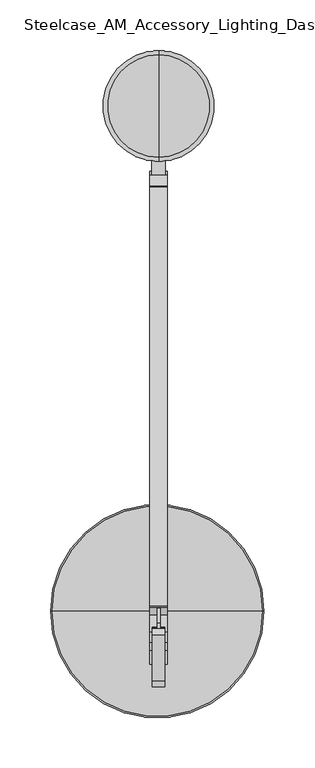
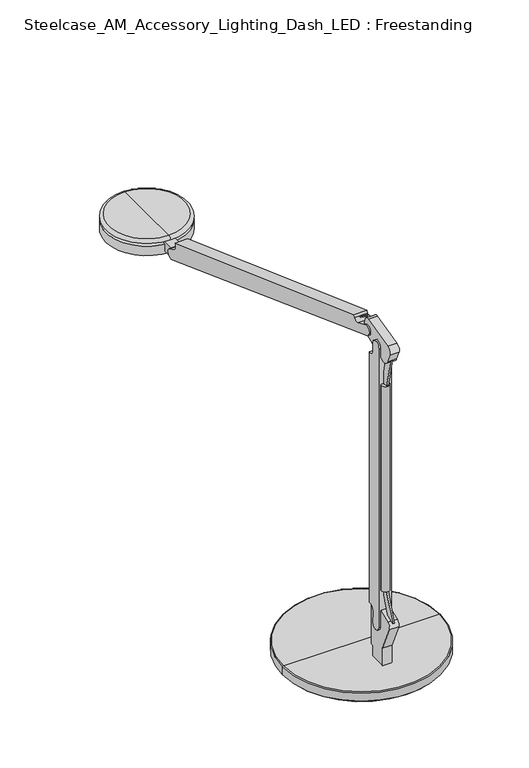
"""IFC4 building model written with IfcOpenShell, lengths in millimetres: furniture geometry, Steelcase_AM_Accessory_Lighting_Dash_LED : Freestanding."""

from ifc_helpers import new_model, si_unit, point, frame, frame_2d, origin, place, context, project, spatial, polyline, circle_curve, ellipse_curve, trimmed, segment, composite_curve, outline, extrude, source, transform, mapped, element, save
from ifc_brep_helpers import plane_surface, cylinder_surface, revolved_surface, advanced_brep


def steelcase_am_accessory_lighting_dash_led_freestanding_0d7cb5ad(model_context):
    return source(origin(), model_context, "Body", "SolidModel", [
        advanced_brep(
        [(-1.3138173, 113.7487958, 886.9665244), (-105.1617173, 113.7487958, 886.9665244), (102.5340827, 113.7487958, 886.9665244), (-94.3930875, 113.7487958, 868.0005821), (-1.3138173, 113.7487958, 868.0005821), (91.7654529, 113.7487958, 868.0005821), (-94.3930875, 113.7487958, 868.9041479), (91.7654529, 113.7487958, 868.9041479), (-97.207805, 113.7487958, 868.9041479), (94.5801703, 113.7487958, 868.9041479), (-103.7438291, 113.7487958, 871.8141733), (101.1161944, 113.7487958, 871.8141733), (-103.7438291, 113.7487958, 874.6475244), (101.1161944, 113.7487958, 874.6475244), (-106.6446817, 113.7487958, 874.6475244), (104.017047, 113.7487958, 874.6475244), (-106.6446817, 113.7487958, 885.4835601), (104.017047, 113.7487958, 885.4835601)],
        [
            (0, 1),
            (1, 2, circle_curve(frame((-1.3138173, 113.7487958, 886.9665244), z_axis=(0.0, 0.0, 1.0), x_axis=(1.0, 0.0, 0.0)), 103.8479)),
            (2, 0),
            (2, 1, circle_curve(frame((-1.3138173, 113.7487958, 886.9665244), z_axis=(0.0, 0.0, 1.0), x_axis=(1.0, 0.0, 0.0)), 103.8479)),
            (3, 4),
            (4, 5),
            (5, 3, circle_curve(frame((-1.3138173, 113.7487958, 868.0005821), z_axis=(0.0, 0.0, -1.0), x_axis=(1.0, 0.0, 0.0)), 93.0792702)),
            (3, 5, circle_curve(frame((-1.3138173, 113.7487958, 868.0005821), z_axis=(0.0, 0.0, -1.0), x_axis=(1.0, 0.0, 0.0)), 93.0792702)),
            (6, 3),
            (5, 7),
            (7, 6, circle_curve(frame((-1.3138173, 113.7487958, 868.9041479), z_axis=(0.0, 0.0, -1.0), x_axis=(1.0, 0.0, 0.0)), 93.0792702)),
            (6, 7, circle_curve(frame((-1.3138173, 113.7487958, 868.9041479), z_axis=(0.0, 0.0, -1.0), x_axis=(1.0, 0.0, 0.0)), 93.0792702)),
            (8, 6),
            (7, 9),
            (9, 8, circle_curve(frame((-1.3138173, 113.7487958, 868.9041479), z_axis=(0.0, 0.0, -1.0), x_axis=(1.0, 0.0, 0.0)), 95.8939876)),
            (8, 9, circle_curve(frame((-1.3138173, 113.7487958, 868.9041479), z_axis=(0.0, 0.0, -1.0), x_axis=(1.0, 0.0, 0.0)), 95.8939876)),
            (10, 8),
            (9, 11),
            (11, 10, circle_curve(frame((-1.3138173, 113.7487958, 871.8141733), z_axis=(0.0, 0.0, -1.0), x_axis=(1.0, 0.0, 0.0)), 102.4300117)),
            (10, 11, circle_curve(frame((-1.3138173, 113.7487958, 871.8141733), z_axis=(0.0, 0.0, -1.0), x_axis=(1.0, 0.0, 0.0)), 102.4300117)),
            (12, 10),
            (11, 13),
            (13, 12, circle_curve(frame((-1.3138173, 113.7487958, 874.6475244), z_axis=(0.0, 0.0, -1.0), x_axis=(1.0, 0.0, 0.0)), 102.4300117)),
            (12, 13, circle_curve(frame((-1.3138173, 113.7487958, 874.6475244), z_axis=(0.0, 0.0, -1.0), x_axis=(1.0, 0.0, 0.0)), 102.4300117)),
            (14, 12),
            (13, 15),
            (15, 14, circle_curve(frame((-1.3138173, 113.7487958, 874.6475244), z_axis=(0.0, 0.0, -1.0), x_axis=(1.0, 0.0, 0.0)), 105.3308643)),
            (14, 15, circle_curve(frame((-1.3138173, 113.7487958, 874.6475244), z_axis=(0.0, 0.0, -1.0), x_axis=(1.0, 0.0, 0.0)), 105.3308643)),
            (16, 14),
            (15, 17),
            (17, 16, circle_curve(frame((-1.3138173, 113.7487958, 885.4835601), z_axis=(0.0, 0.0, -1.0), x_axis=(1.0, 0.0, 0.0)), 105.3308643)),
            (16, 17, circle_curve(frame((-1.3138173, 113.7487958, 885.4835601), z_axis=(0.0, 0.0, -1.0), x_axis=(1.0, 0.0, 0.0)), 105.3308643)),
            (1, 16, circle_curve(frame((-105.1617173, 113.7487958, 885.4835601), z_axis=(0.0, -1.0, 0.0), x_axis=(-1.0, 0.0, 0.0)), 1.4829643)),
            (17, 2, circle_curve(frame((102.5340827, 113.7487958, 885.4835601), z_axis=(0.0, -1.0, 0.0), x_axis=(1.0, 0.0, 0.0)), 1.4829643)),
        ],
        [
            plane_surface(frame((-1.3138173, 113.7487958, 886.9665244), z_axis=(0.0, 0.0, 1.0), x_axis=(1.0, 0.0, 0.0))),
            plane_surface(frame((-1.3138173, 113.7487958, 868.0005821), z_axis=(0.0, 0.0, -1.0), x_axis=(1.0, 0.0, 0.0))),
            cylinder_surface(frame((-1.3138173, 113.7487958, 893.3165244), z_axis=(0.0, 0.0, 1.0), x_axis=(1.0, 0.0, 0.0)), 93.0792702),
            plane_surface(frame((-1.3138173, 113.7487958, 868.9041479), z_axis=(0.0, 0.0, -1.0), x_axis=(1.0, 0.0, 0.0))),
            revolved_surface(polyline([(94.5801703, 113.7487958, 868.9041479), (101.1161944, 113.7487958, 871.8141733)]), (-1.3138173, 113.7487958, 893.3165244), (0.0, 0.0, 1.0)),
            cylinder_surface(frame((-1.3138173, 113.7487958, 893.3165244), z_axis=(0.0, 0.0, 1.0), x_axis=(1.0, 0.0, 0.0)), 102.4300117),
            plane_surface(frame((-1.3138173, 113.7487958, 874.6475244), z_axis=(0.0, 0.0, -1.0), x_axis=(1.0, 0.0, 0.0))),
            cylinder_surface(frame((-1.3138173, 113.7487958, 893.3165244), z_axis=(0.0, 0.0, 1.0), x_axis=(1.0, 0.0, 0.0)), 105.3308643),
            revolved_surface(trimmed(ellipse_curve(frame((102.5340827, 113.7487958, 885.4835601), z_axis=(0.0, -1.0, 0.0), x_axis=(1.0, 0.0, 0.0)), 1.4829643, 1.4829643), [point((104.017047, 113.7487958, 885.4835601))], [point((102.5340827, 113.7487958, 886.9665244))], True, "CARTESIAN"), (-1.3138173, 113.7487958, 893.3165244), (0.0, 0.0, 1.0)),
        ],
        [
            (0, [[1, 2, 3]]),
            (0, [[-3, 4, -1]]),
            (1, [[5, 6, 7]]),
            (1, [[-6, -5, 8]]),
            (2, [[9, -7, 10, 11]]),
            (2, [[-10, -8, -9, 12]]),
            (3, [[13, -11, 14, 15]]),
            (3, [[-14, -12, -13, 16]]),
            (4, [[17, -15, 18, 19]]),
            (4, [[-18, -16, -17, 20]]),
            (5, [[21, -19, 22, 23]]),
            (5, [[-22, -20, -21, 24]]),
            (6, [[25, -23, 26, 27]]),
            (6, [[-26, -24, -25, 28]]),
            (7, [[29, -27, 30, 31]]),
            (7, [[-30, -28, -29, 32]]),
            (8, [[33, -31, 34, -2]]),
            (8, [[-34, -32, -33, -4]]),
        ],
    ),
        advanced_brep(
        [(-2.7205732, 60.6970314, 1280.5232085), (-2.6601118, 71.5963661, 1280.5232085), (-5.8093381, 71.5963661, 1280.5232085), (-5.8093381, 60.0724751, 1280.5232085), (5.0673235, 60.0819526, 1280.5232085), (5.0673235, 71.5963661, 1280.5232085), (1.9175158, 71.5963661, 1280.5232085), (1.9785586, 60.6970314, 1280.5232085), (-2.7205732, 60.6970314, 990.8676868), (1.9785586, 60.6970314, 990.8676868), (1.9175158, 71.5963661, 990.8676868), (5.0673235, 71.5963661, 990.8676868), (5.0673235, 60.0819526, 990.8676868), (-5.7601194, 60.0819526, 990.8676868), (-5.8093381, 71.5963661, 990.8676868), (-2.6601118, 71.5963661, 990.8676868)],
        [
            (0, 1),
            (1, 2),
            (2, 3),
            (3, 4, circle_curve(frame((-0.3463979, 60.0819526, 1280.5232085), z_axis=(0.0, 0.0, 1.0), x_axis=(1.0, 0.0, 0.0)), 5.4137215)),
            (4, 5),
            (5, 6),
            (6, 7),
            (7, 0, circle_curve(frame((-0.3710073, 60.6970314, 1280.5232085), z_axis=(0.0, 0.0, -1.0), x_axis=(1.0, 0.0, 0.0)), 2.3495659)),
            (8, 9, circle_curve(frame((-0.3710073, 60.6970314, 990.8676868), z_axis=(0.0, 0.0, 1.0), x_axis=(1.0, 0.0, 0.0)), 2.3495659)),
            (9, 10),
            (10, 11),
            (11, 12),
            (12, 13, circle_curve(frame((-0.3463979, 60.0819526, 990.8676868), z_axis=(0.0, 0.0, -1.0), x_axis=(1.0, 0.0, 0.0)), 5.4137215)),
            (13, 14),
            (14, 15),
            (15, 8),
            (7, 9),
            (8, 0),
            (6, 10),
            (5, 11),
            (4, 12),
            (3, 13),
            (2, 14),
            (1, 15),
        ],
        [
            plane_surface(frame((1.9785586, 60.6970314, 1280.5232085), z_axis=(0.0, 0.0, 1.0), x_axis=(0.0, 1.0, 0.0))),
            plane_surface(frame((1.9785586, 60.6970314, 990.8676868), z_axis=(0.0, 0.0, -1.0), x_axis=(0.0, -1.0, 0.0))),
            revolved_surface(polyline([(1.9785586, 60.6970314, 990.8676868), (1.9785586, 60.6970314, 1280.5232085)]), (-0.3710073, 60.6970314, 990.8676868), (0.0, 0.0, -1.0)),
            plane_surface(frame((1.9785586, 60.6970314, 1280.5232085), z_axis=(-0.9999843170233393, -0.005600509563017414, 0.0), x_axis=(0.0, 0.0, -1.0))),
            plane_surface(frame((1.9175158, 71.5963661, 1280.5232085), z_axis=(0.0, 1.0, 0.0), x_axis=(0.0, 0.0, -1.0))),
            plane_surface(frame((5.0673235, 71.5963661, 1280.5232085), z_axis=(1.0, 0.0, 0.0), x_axis=(0.0, 0.0, -1.0))),
            cylinder_surface(frame((-0.3463979, 60.0819526, 990.8676868), z_axis=(0.0, 0.0, 1.0), x_axis=(1.0, 0.0, 0.0)), 5.4137215),
            plane_surface(frame((-5.8093381, 60.0724751, 1280.5232085), z_axis=(-1.0, 0.0, 0.0), x_axis=(0.0, 0.0, -1.0))),
            plane_surface(frame((-5.8093381, 71.5963661, 1280.5232085), z_axis=(0.0, 1.0, 0.0), x_axis=(0.0, 0.0, -1.0))),
            plane_surface(frame((-2.6601118, 71.5963661, 1280.5232085), z_axis=(0.999984614317351, -0.005547173025869674, 0.0), x_axis=(0.0, 0.0, -1.0))),
        ],
        [
            (0, [[1, 2, 3, 4, 5, 6, 7, 8]]),
            (1, [[9, 10, 11, 12, 13, 14, 15, 16]]),
            (2, [[17, -9, 18, -8]]),
            (3, [[19, -10, -17, -7]]),
            (4, [[20, -11, -19, -6]]),
            (5, [[21, -12, -20, -5]]),
            (6, [[22, -13, -21, -4]]),
            (7, [[23, -14, -22, -3]]),
            (8, [[24, -15, -23, -2]]),
            (9, [[-18, -16, -24, -1]]),
        ],
    ),
        extrude(outline(polyline([(65.3863553, 990.8120404), (51.1981926, 954.4889668), (41.2982154, 953.7822512), (55.2886405, 990.8120404), (65.3863553, 990.8120404)])), frame((-1.518321, 0.0, 0.0), z_axis=(1.0, 0.0, 0.0), x_axis=(0.0, 1.0, 0.0)), (0.0, 0.0, 1.0), 2.3620651),
        extrude(outline(polyline([(57.0984138, 1319.5276591), (65.5891746, 1280.5232085), (55.5386253, 1280.5232085), (45.5921394, 1322.2234247), (57.0984138, 1319.5276591)])), frame((-1.518321, 0.0, 0.0), z_axis=(1.0, 0.0, 0.0), x_axis=(0.0, 1.0, 0.0)), (0.0, 0.0, 1.0), 2.3620651),
        extrude(outline(polyline([(81.1968025, 1351.4679697), (101.7525568, 1352.1857924), (128.4530492, 1333.4899064), (127.6570142, 1332.6938714), (101.2218133, 1351.2039983), (81.1968025, 1350.5047095), (81.1968025, 1351.4679697)])), frame((-1.518321, 0.0, 0.0), z_axis=(1.0, 0.0, 0.0), x_axis=(0.0, 1.0, 0.0)), (0.0, 0.0, 1.0), 3.042321),
        extrude(outline(composite_curve([segment(trimmed(circle_curve(frame_2d((68.1949157, 938.6224419)), 6.5519401), [point((74.5648093, 937.0886966))], [point((61.6429756, 938.6224419))], False, "CARTESIAN"), True, "CONTINUOUS"), segment(polyline([(61.6429756, 938.6224419), (61.6429756, 1331.2392366)]), True, "CONTINUOUS"), segment(trimmed(circle_curve(frame_2d((68.1653332, 1332.5632566)), 6.6553871), [point((61.6429756, 1331.2392366))], [point((74.6876907, 1331.2392366))], False, "CARTESIAN"), True, "CONTINUOUS"), segment(polyline([(74.6876907, 1331.2392366), (74.6876907, 1319.220088)]), True, "CONTINUOUS"), segment(trimmed(circle_curve(frame_2d((83.6122872, 1324.9350648)), 10.5976121), [point((74.6876907, 1319.220088))], [point((83.5101738, 1314.3379447))], True, "CARTESIAN"), True, "CONTINUOUS"), segment(polyline([(83.5101738, 1314.3379447), (83.5101738, 961.4556927), (81.5292112, 961.4556927)]), True, "CONTINUOUS"), segment(trimmed(circle_curve(frame_2d((81.5292112, 953.9085296)), 7.5471631), [point((81.5292112, 961.4556927))], [point((73.9866456, 953.6451374))], True, "CARTESIAN"), True, "CONTINUOUS"), segment(polyline([(73.9866456, 953.6451374), (74.5648093, 937.0886966)]), True, "CONTINUOUS")], self_intersect=False)), frame((-8.509, 0.0, 0.0), z_axis=(1.0, 0.0, 0.0), x_axis=(0.0, 1.0, 0.0)), (0.0, 0.0, 1.0), 17.018),
        advanced_brep(
        [(6.223, 78.5886447, 903.0154879), (6.223, 78.5886447, 886.9698914), (-6.223, 78.5886447, 886.9698914), (-6.223, 78.5886447, 903.0154879), (6.223, 56.5546875, 886.9698914), (6.223, 82.0847399, 903.0154879), (6.223, 82.0847399, 958.6400977), (6.223, 71.2714689, 966.0718529), (6.223, 44.2952569, 955.7166553), (6.223, 40.7698797, 947.205642), (6.223, 56.5546875, 911.7523831), (-6.223, 82.0847399, 958.6400977), (-6.223, 82.0847399, 903.0154879), (-6.223, 56.5546875, 886.9698914), (-6.223, 56.5546875, 911.7523831), (-6.223, 40.7698797, 947.205642), (-6.223, 44.2952569, 955.7166553), (-6.223, 71.2714689, 966.0718529)],
        [
            (0, 1),
            (1, 2, circle_curve(frame((0.0, 63.9841969, 886.9698914), z_axis=(0.0, 0.0, 1.0), x_axis=(-1.0, 0.0, 0.0)), 15.875)),
            (2, 3),
            (3, 0, circle_curve(frame((0.0, 63.9841969, 903.0154879), z_axis=(0.0, 0.0, -1.0), x_axis=(-1.0, 0.0, 0.0)), 15.875)),
            (4, 1),
            (0, 5),
            (5, 6),
            (6, 7, circle_curve(frame((6.223, 74.1242524, 958.6400977), z_axis=(1.0, 0.0, 0.0), x_axis=(0.0, 1.0, 0.0)), 7.9604875)),
            (7, 8),
            (8, 9, circle_curve(frame((6.223, 46.5708933, 949.7884196), z_axis=(1.0, 0.0, 0.0), x_axis=(0.0, 1.0, 0.0)), 6.35)),
            (9, 10),
            (10, 4),
            (11, 12),
            (12, 3),
            (2, 13),
            (13, 14),
            (14, 15),
            (15, 16, circle_curve(frame((-6.223, 46.5708933, 949.7884196), z_axis=(-1.0, 0.0, 0.0), x_axis=(0.0, 1.0, 0.0)), 6.35)),
            (16, 17),
            (17, 11, circle_curve(frame((-6.223, 74.1242524, 958.6400977), z_axis=(-1.0, 0.0, 0.0), x_axis=(0.0, 1.0, 0.0)), 7.9604875)),
            (5, 12),
            (11, 6),
            (4, 13),
            (10, 14),
            (9, 15),
            (8, 16),
            (7, 17),
        ],
        [
            cylinder_surface(frame((0.0, 63.9841969, 903.0154879), z_axis=(0.0, 0.0, 1.0), x_axis=(-1.0, 0.0, 0.0)), 15.875),
            plane_surface(frame((6.223, 82.0847399, 886.9698914), z_axis=(1.0, 0.0, 0.0), x_axis=(0.0, 0.0, -1.0))),
            plane_surface(frame((-6.223, 82.0847399, 886.9698914), z_axis=(-1.0, 0.0, 0.0), x_axis=(0.0, 0.0, 1.0))),
            plane_surface(frame((6.223, 82.0847399, 958.6400977), z_axis=(0.0, 1.0, 0.0), x_axis=(-1.0, 0.0, 0.0))),
            plane_surface(frame((6.223, 82.0847399, 886.9698914), z_axis=(0.0, 0.0, -1.0), x_axis=(-1.0, 0.0, 0.0))),
            plane_surface(frame((6.223, 56.5546875, 886.9698914), z_axis=(0.0, -1.0, 0.0), x_axis=(-1.0, 0.0, 0.0))),
            plane_surface(frame((6.223, 56.5546875, 911.7523831), z_axis=(0.0, -0.9135454576426009, -0.4067366430758003), x_axis=(-1.0, 0.0, 0.0))),
            cylinder_surface(frame((-6.223, 46.5708933, 949.7884196), z_axis=(1.0, 0.0, 0.0), x_axis=(0.0, 1.0, 0.0)), 6.35),
            plane_surface(frame((6.223, 44.2952569, 955.7166553), z_axis=(0.0, -0.35836794954530315, 0.9335804264972007), x_axis=(-1.0, 0.0, 0.0))),
            cylinder_surface(frame((-6.223, 74.1242524, 958.6400977), z_axis=(1.0, 0.0, 0.0), x_axis=(0.0, 1.0, 0.0)), 7.9604875),
            plane_surface(frame((-32.548854, 63.9841969, 903.0154879), z_axis=(0.0, 0.0, -1.0), x_axis=(0.0, 1.0, 0.0))),
        ],
        [
            (0, [[1, 2, 3, 4]]),
            (1, [[5, -1, 6, 7, 8, 9, 10, 11, 12]]),
            (2, [[13, 14, -3, 15, 16, 17, 18, 19, 20]]),
            (3, [[-7, 21, -13, 22]]),
            (4, [[-15, -2, -5, 23]]),
            (5, [[24, -16, -23, -12]]),
            (6, [[25, -17, -24, -11]]),
            (7, [[26, -18, -25, -10]]),
            (8, [[27, -19, -26, -9]]),
            (9, [[-22, -20, -27, -8]]),
            (10, [[-14, -21, -6, -4]]),
        ],
    ),
        extrude(outline(composite_curve([segment(polyline([(-6.7893575, 544.8549642), (-6.7893575, 561.4371146)]), True, "CONTINUOUS"), segment(trimmed(circle_curve(frame_2d((0.0, 615.7514202)), 54.737), [point((-6.7893575, 561.4371146))], [point((6.7893575, 561.4371146))], True, "CARTESIAN"), True, "CONTINUOUS"), segment(polyline([(6.7893575, 561.4371146), (6.7893575, 544.8549642), (-6.7893575, 544.8549642)]), True, "CONTINUOUS")], self_intersect=False)), frame((0.0, 0.0, 1167.2897555), z_axis=(0.0, 0.0, 1.0), x_axis=(1.0, 0.0, 0.0)), (0.0, 0.0, 1.0), 13.4600101),
        advanced_brep(
        [(0.0, 557.9794807, 1181.5751493), (0.0, 562.0355355, 1185.3851493), (0.0, 663.397426, 1185.3851493), (0.0, 667.4534807, 1181.5751493), (0.0, 575.9679998, 1181.5751493), (0.0, 649.4649617, 1181.5751493), (0.0, 573.3002091, 1177.7651493), (0.0, 652.1327524, 1177.7651493), (0.0, 557.9794807, 1177.7651493), (0.0, 667.4534807, 1177.7651493), (0.0, 557.9794807, 1164.4301493), (0.0, 667.4534807, 1164.4301493), (0.0, 612.7164807, 1164.4301493), (0.0, 612.7164807, 1185.3851493)],
        [
            (0, 1, circle_curve(frame((0.0, 562.0355355, 1181.3211493), z_axis=(-1.0, 0.0, 0.0), x_axis=(0.0, 1.0, 0.0)), 4.064)),
            (1, 2, circle_curve(frame((0.0, 612.7164807, 1185.3851493), z_axis=(0.0, 0.0, -1.0), x_axis=(0.0, 1.0, 0.0)), 50.6809453)),
            (2, 3, circle_curve(frame((0.0, 663.397426, 1181.3211493), z_axis=(-1.0, 0.0, 0.0), x_axis=(0.0, -1.0, 0.0)), 4.064)),
            (3, 0, circle_curve(frame((0.0, 612.7164807, 1181.5751493), z_axis=(0.0, 0.0, 1.0), x_axis=(0.0, 1.0, 0.0)), 54.737)),
            (2, 1, circle_curve(frame((0.0, 612.7164807, 1185.3851493), z_axis=(0.0, 0.0, -1.0), x_axis=(0.0, 1.0, 0.0)), 50.6809453)),
            (0, 3, circle_curve(frame((0.0, 612.7164807, 1181.5751493), z_axis=(0.0, 0.0, 1.0), x_axis=(0.0, 1.0, 0.0)), 54.737)),
            (4, 0),
            (3, 5),
            (5, 4, circle_curve(frame((0.0, 612.7164807, 1181.5751493), z_axis=(0.0, 0.0, 1.0), x_axis=(0.0, 1.0, 0.0)), 36.7484809)),
            (4, 5, circle_curve(frame((0.0, 612.7164807, 1181.5751493), z_axis=(0.0, 0.0, 1.0), x_axis=(0.0, 1.0, 0.0)), 36.7484809)),
            (6, 4),
            (5, 7),
            (7, 6, circle_curve(frame((0.0, 612.7164807, 1177.7651493), z_axis=(0.0, 0.0, 1.0), x_axis=(0.0, 1.0, 0.0)), 39.4162717)),
            (6, 7, circle_curve(frame((0.0, 612.7164807, 1177.7651493), z_axis=(0.0, 0.0, 1.0), x_axis=(0.0, 1.0, 0.0)), 39.4162717)),
            (8, 6),
            (7, 9),
            (9, 8, circle_curve(frame((0.0, 612.7164807, 1177.7651493), z_axis=(0.0, 0.0, 1.0), x_axis=(0.0, 1.0, 0.0)), 54.737)),
            (8, 9, circle_curve(frame((0.0, 612.7164807, 1177.7651493), z_axis=(0.0, 0.0, 1.0), x_axis=(0.0, 1.0, 0.0)), 54.737)),
            (10, 8),
            (9, 11),
            (11, 10, circle_curve(frame((0.0, 612.7164807, 1164.4301493), z_axis=(0.0, 0.0, 1.0), x_axis=(0.0, 1.0, 0.0)), 54.737)),
            (10, 11, circle_curve(frame((0.0, 612.7164807, 1164.4301493), z_axis=(0.0, 0.0, 1.0), x_axis=(0.0, 1.0, 0.0)), 54.737)),
            (12, 10),
            (11, 12),
            (1, 13),
            (13, 2),
        ],
        [
            revolved_surface(trimmed(ellipse_curve(frame((0.0, 663.397426, 1181.3211493), z_axis=(-1.0, 0.0, 0.0), x_axis=(0.0, -1.0, 0.0)), 4.064, 4.064), [point((0.0, 663.397426, 1185.3851493))], [point((0.0, 667.4534807, 1181.5751493))], True, "CARTESIAN"), (0.0, 612.7164807, 1185.3851493), (0.0, 0.0, -1.0)),
            plane_surface(frame((0.0, 612.7164807, 1181.5751493), z_axis=(0.0, 0.0, -1.0), x_axis=(0.0, 1.0, 0.0))),
            revolved_surface(polyline([(0.0, 649.4649617, 1181.5751493), (0.0, 652.1327524, 1177.7651493)]), (0.0, 612.7164807, 1185.3851493), (0.0, 0.0, -1.0)),
            plane_surface(frame((0.0, 612.7164807, 1177.7651493), z_axis=(0.0, 0.0, 1.0), x_axis=(0.0, 1.0, 0.0))),
            cylinder_surface(frame((0.0, 612.7164807, 1185.3851493), z_axis=(0.0, 0.0, -1.0), x_axis=(0.0, 1.0, 0.0)), 54.737),
            plane_surface(frame((0.0, 612.7164807, 1164.4301493), z_axis=(0.0, 0.0, -1.0), x_axis=(0.0, 1.0, 0.0))),
            plane_surface(frame((0.0, 612.7164807, 1185.3851493), z_axis=(0.0, 0.0, 1.0), x_axis=(0.0, 1.0, 0.0))),
        ],
        [
            (0, [[1, 2, 3, 4]]),
            (0, [[-3, 5, -1, 6]]),
            (1, [[7, -4, 8, 9]]),
            (1, [[-8, -6, -7, 10]]),
            (2, [[11, -9, 12, 13]]),
            (2, [[-12, -10, -11, 14]]),
            (3, [[15, -13, 16, 17]]),
            (3, [[-16, -14, -15, 18]]),
            (4, [[19, -17, 20, 21]]),
            (4, [[-20, -18, -19, 22]]),
            (5, [[23, -21, 24]]),
            (5, [[-24, -22, -23]]),
            (6, [[25, 26, -2]]),
            (6, [[-26, -25, -5]]),
        ],
    ),
        extrude(outline(composite_curve([segment(polyline([(74.6876907, 1325.0660994), (74.6876907, 1333.051182)]), True, "CONTINUOUS"), segment(trimmed(circle_curve(frame_2d((68.0907541, 1332.6821255)), 6.6072517), [point((74.6876907, 1333.051182))], [point((61.4869966, 1332.4672712))], True, "CARTESIAN"), True, "CONTINUOUS"), segment(polyline([(61.4869966, 1332.4672712), (61.4869966, 1319.9717025), (57.3848008, 1317.931247)]), True, "CONTINUOUS"), segment(trimmed(circle_curve(frame_2d((53.528879, 1325.6833132)), 8.6580982), [point((57.3848008, 1317.931247))], [point((45.5921394, 1322.2234247))], False, "CARTESIAN"), True, "CONTINUOUS"), segment(polyline([(45.5921394, 1322.2234247), (39.9180671, 1335.2393454)]), True, "CONTINUOUS"), segment(trimmed(circle_curve(frame_2d((46.4441906, 1338.0842995)), 7.1192733), [point((39.9180671, 1335.2393454))], [point((44.7607948, 1345.0016855))], False, "CARTESIAN"), True, "CONTINUOUS"), segment(polyline([(44.7607948, 1345.0016855), (89.7920838, 1355.9603749)]), True, "CONTINUOUS"), segment(trimmed(circle_curve(frame_2d((91.157557, 1350.3493921)), 5.774742), [point((89.7920838, 1355.9603749))], [point((96.3335285, 1352.9100492))], False, "CARTESIAN"), True, "CONTINUOUS"), segment(polyline([(96.3335285, 1352.9100492), (98.1644738, 1345.3863552)]), True, "CONTINUOUS"), segment(trimmed(circle_curve(frame_2d((87.3211267, 1342.7475483)), 11.1598153), [point((98.1644738, 1345.3863552))], [point((91.7807339, 1332.5175248))], False, "CARTESIAN"), True, "CONTINUOUS"), segment(polyline([(91.7807339, 1332.5175248), (74.6876907, 1325.0660994)]), True, "CONTINUOUS")], self_intersect=False)), frame((-6.223, 0.0, 0.0), z_axis=(1.0, 0.0, 0.0), x_axis=(0.0, 1.0, 0.0)), (0.0, 0.0, 1.0), 12.446),
        extrude(outline(composite_curve([segment(polyline([(538.9744702, 1168.2150927), (87.1350953, 1335.0761203)]), True, "CONTINUOUS"), segment(trimmed(circle_curve(frame_2d((89.9591686, 1341.1323614)), 6.6823235), [point((87.1350953, 1335.0761203))], [point((92.783242, 1347.1886026))], False, "CARTESIAN"), True, "CONTINUOUS"), segment(polyline([(92.783242, 1347.1886026), (109.6515803, 1339.3227624)]), True, "CONTINUOUS"), segment(trimmed(circle_curve(frame_2d((112.0659507, 1344.5003933)), 5.7128842), [point((109.6515803, 1339.3227624))], [point((117.2435816, 1342.0860229))], True, "CARTESIAN"), True, "CONTINUOUS"), segment(polyline([(117.2435816, 1342.0860229), (118.5153249, 1345.5960434), (532.5213758, 1195.5942354)]), True, "CONTINUOUS"), segment(trimmed(circle_curve(frame_2d((540.6928934, 1191.2457491)), 9.256513), [point((532.5213758, 1195.5942354))], [point((533.3631432, 1185.5926266))], True, "CARTESIAN"), True, "CONTINUOUS"), segment(polyline([(533.3631432, 1185.5926266), (544.6282357, 1180.3396244)]), True, "CONTINUOUS"), segment(trimmed(circle_curve(frame_2d((541.801353, 1174.2773586)), 6.688971), [point((544.6282357, 1180.3396244))], [point((538.9744702, 1168.2150927))], False, "CARTESIAN"), True, "CONTINUOUS")], self_intersect=False)), frame((-8.509, 0.0, 0.0), z_axis=(1.0, 0.0, 0.0), x_axis=(0.0, 1.0, 0.0)), (0.0, 0.0, 1.0), 17.018),
    ])


if __name__ == "__main__":
    model = new_model("IFC4")
    model_context = context("Model", 3, world=origin())
    ifc_project = project(units=[si_unit("LENGTHUNIT", "METRE", prefix="MILLI")], contexts=[model_context])
    site = spatial("IfcSite", under=ifc_project)
    building = spatial("IfcBuilding", under=site)
    placement = place(None, origin())
    steelcase_am_accessory_lighting_dash_led_freestanding_shape = steelcase_am_accessory_lighting_dash_led_freestanding_0d7cb5ad(model_context)
    element("IfcFurniture", 1, ObjectType="Steelcase_AM_Accessory_Lighting_Dash_LED : Freestanding", at=placement, inside=building, context=model_context, shape_type="MappedRepresentation", body=[
        mapped(steelcase_am_accessory_lighting_dash_led_freestanding_shape, transform((0.0, 0.0, 0.0), x_axis=(1.0, 0.0, 0.0), y_axis=(0.0, 1.0, 0.0), z_axis=(0.0, 0.0, 1.0))),
    ])
    save(model, "model.ifc")
